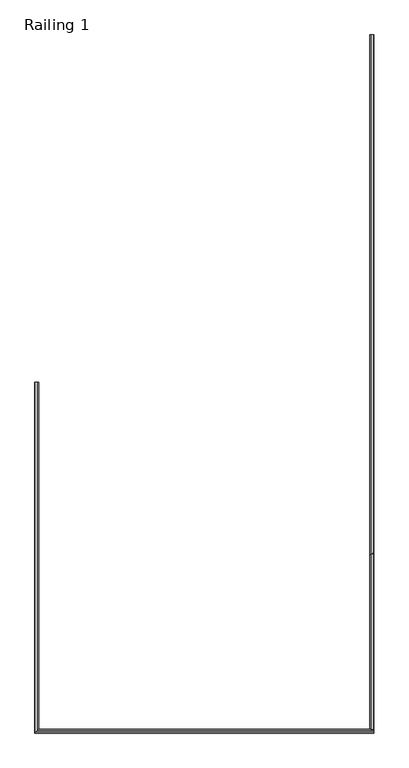
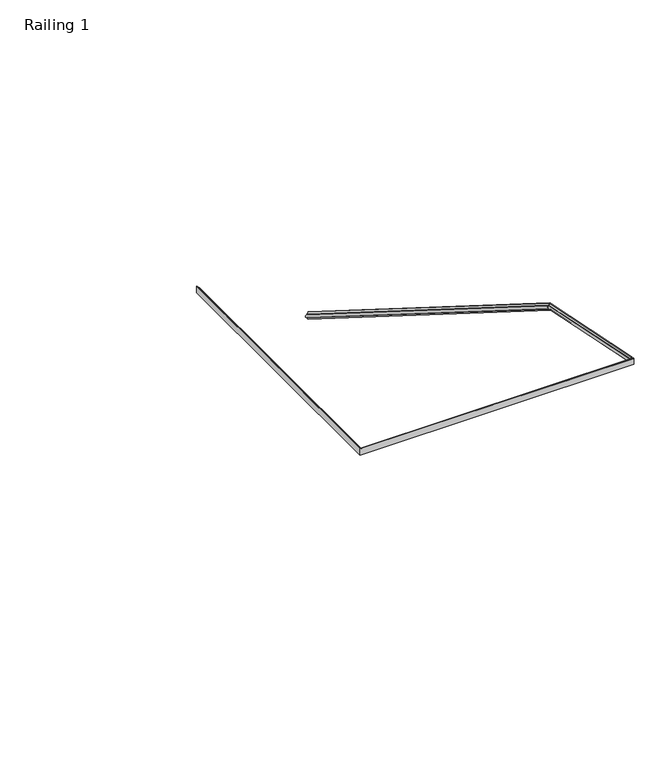
"""IFC4 building model written with IfcOpenShell, lengths in millimetres: railing geometry, Railing 1."""

from ifc_helpers import new_model, si_unit, frame, origin, place, context, project, spatial, polyline, circle_curve, ellipse_curve, source, transform, mapped, element, save
from ifc_brep_helpers import plane_surface, cylinder_surface, revolved_surface, advanced_brep


def railing_1_693878b2(model_context):
    return source(origin(), model_context, "Body", "AdvancedBrep", [
        advanced_brep(
        [(1343.5983766, 5734.7315304, 1096.7253185), (1343.5983766, 5734.7315304, 1046.5266825), (1340.5983766, 5734.7315304, 1046.5266825), (1332.0983766, 5734.7315304, 1058.3381263), (1332.0983766, 5734.7315304, 1061.5862733), (1332.0983766, 5734.7315304, 1081.6657277), (1332.0983766, 5734.7315304, 1084.9138748), (1340.5983766, 5734.7315304, 1096.7253185), (1343.5983766, 3047.5668637, 2785.8002519), (1343.5983766, 3031.4785253, 2745.7142857), (1343.5983766, 2135.1315304, 2972.8211587), (1340.5983766, 2135.1315304, 2972.8211587), (1332.0983766, 2135.1315304, 2962.6132585), (1332.0983766, 2135.1315304, 2959.8060859), (1332.0983766, 2135.1315304, 2942.4526556), (1332.0983766, 2135.1315304, 2939.645483), (1340.5983766, 2135.1315304, 2929.4375828), (1343.5983766, 2135.1315304, 2929.4375828), (1340.5983766, 3031.4785253, 2745.7142857), (1332.0983766, 3035.2640167, 2755.1462778), (1332.0983766, 3036.3050268, 2757.7400756), (1332.0983766, 3042.7403622, 2773.774462), (1332.0983766, 3043.7813723, 2776.3682598), (1340.5983766, 3047.5668637, 2785.8002519)],
        [
            (0, 1),
            (1, 2),
            (2, 3, ellipse_curve(frame((1326.5995861, 5734.7315304, 1042.6448847), z_axis=(0.0, -1.0, 0.0), x_axis=(0.0, 0.0, 1.0)), 16.9841429, 14.3793961)),
            (3, 4),
            (4, 5, ellipse_curve(frame((1332.0983766, 5734.7315304, 1071.6260005), z_axis=(0.0, 1.0, 0.0), x_axis=(0.0, 0.0, -1.0)), 10.0397272, 8.5)),
            (5, 6),
            (6, 7, ellipse_curve(frame((1326.5995861, 5734.7315304, 1100.6071164), z_axis=(0.0, -1.0, 0.0), x_axis=(0.0, 0.0, 1.0)), 16.9841429, 14.3793961)),
            (7, 0),
            (0, 8),
            (8, 9),
            (9, 1),
            (10, 11),
            (11, 12, ellipse_curve(frame((1326.5995861, 2135.1315304, 2976.1759564), z_axis=(0.0, 1.0, 0.0), x_axis=(0.0, 0.0, 1.0)), 14.6783441, 14.3793961)),
            (12, 13),
            (13, 14, ellipse_curve(frame((1332.0983766, 2135.1315304, 2951.1293708), z_axis=(0.0, -1.0, 0.0), x_axis=(0.0, 0.0, -1.0)), 8.6767152, 8.5)),
            (14, 15),
            (15, 16, ellipse_curve(frame((1326.5995861, 2135.1315304, 2926.0827851), z_axis=(0.0, 1.0, 0.0), x_axis=(0.0, 0.0, 1.0)), 14.6783441, 14.3793961)),
            (16, 17),
            (17, 10),
            (8, 10),
            (17, 9),
            (9, 18),
            (18, 2),
            (18, 19, ellipse_curve(frame((1326.5995861, 3030.2344342, 2742.614488), z_axis=(0.0, -0.928045355294953, 0.37246720461735194), x_axis=(0.0, 0.37246720461735205, 0.928045355294953)), 14.6141941, 14.3793961)),
            (19, 3),
            (19, 20),
            (20, 4),
            (20, 21, ellipse_curve(frame((1332.0983766, 3039.5226945, 2765.7572688), z_axis=(0.0, 0.928045355294953, -0.37246720461735194), x_axis=(0.0, -0.37246720461735205, -0.928045355294953)), 8.6387946, 8.5)),
            (21, 5),
            (21, 22),
            (22, 6),
            (22, 23, ellipse_curve(frame((1326.5995861, 3048.8109548, 2788.9000496), z_axis=(0.0, -0.928045355294953, 0.37246720461735194), x_axis=(0.0, 0.37246720461735205, 0.928045355294953)), 14.6141941, 14.3793961)),
            (23, 7),
            (23, 8),
            (16, 18),
            (15, 19),
            (14, 20),
            (13, 21),
            (12, 22),
            (11, 23),
        ],
        [
            plane_surface(frame((1318.5983766, 5734.7315304, 1046.5266825), z_axis=(0.0, 1.0, 0.0), x_axis=(0.0, 0.0, -1.0))),
            plane_surface(frame((1343.5983766, 5734.7315304, 1096.7253185), z_axis=(1.0, 0.0, 0.0), x_axis=(0.0, -0.8466365492110048, 0.5321715452183458))),
            plane_surface(frame((1318.5983766, 2135.1315304, 2929.4375828), z_axis=(0.0, -1.0, 0.0), x_axis=(0.0, 0.0, -1.0))),
            plane_surface(frame((1343.5983766, 3047.5668637, 2785.8002519), z_axis=(1.0000000000000002, 0.0, 0.0), x_axis=(0.0, -0.979633400516554, 0.20079442370836156))),
            plane_surface(frame((1343.5983766, 5734.7315304, 1046.5266825), z_axis=(0.0, -0.5321715452183456, -0.846636549211005), x_axis=(0.0, -0.846636549211005, 0.5321715452183456))),
            revolved_surface(polyline([(1340.9789821999998, 3028.025436812152, 2744.0030007095033), (1340.9789821999998, 5742.383835879111, 1037.83486415313)]), (1326.5995861, 5732.9825636, 1043.7442353), (0.0, -0.8466365492110048, 0.5321715452183456)),
            plane_surface(frame((1332.0983766, 5734.7315304, 1058.3381263), z_axis=(-1.0, 0.0, 0.0), x_axis=(0.0, -0.8466365492110048, 0.5321715452183458))),
            cylinder_surface(frame((1332.0983766, 5746.0401757, 1064.5177092), z_axis=(0.0, 0.8466365492110048, -0.5321715452183456), x_axis=(1.0, 0.0, 0.0)), 8.5),
            plane_surface(frame((1332.0983766, 5734.7315304, 1081.6657277), z_axis=(-1.0, 0.0, 0.0), x_axis=(0.0, -0.846636549211005, 0.5321715452183456))),
            revolved_surface(polyline([(1340.9789821999998, 3046.6019573915555, 2790.2885622767353), (1340.9789821999998, 5742.383835854652, 1095.7970958142187)]), (1326.5995861, 5759.0977879, 1085.2911831), (0.0, -0.8466365492110048, 0.5321715452183456)),
            plane_surface(frame((1340.5983766, 5734.7315304, 1096.7253185), z_axis=(0.0, 0.5321715452183458, 0.8466365492110048), x_axis=(0.0, -0.8466365492110048, 0.5321715452183458))),
            plane_surface(frame((1343.5983766, 3031.4785253, 2745.7142857), z_axis=(0.0, -0.20079442370836165, -0.979633400516554), x_axis=(0.0, -0.979633400516554, 0.20079442370836165))),
            revolved_surface(polyline([(1340.9789821999998, 2132.2442278376193, 2926.6745924562642), (1340.9789821999998, 3032.790439680237, 2742.090586302187)]), (1326.5995861, 3030.81862, 2742.4947481), (0.0, -0.9796334005165539, 0.20079442370836176)),
            plane_surface(frame((1332.0983766, 3035.2640167, 2755.1462778), z_axis=(-1.0, 0.0, 0.0), x_axis=(0.0, -0.9796334005165539, 0.20079442370836167))),
            cylinder_surface(frame((1332.0983766, 3035.7454068, 2766.5314955), z_axis=(0.0, 0.9796334005165539, -0.20079442370836176), x_axis=(1.0, 0.0, 0.0)), 8.5),
            plane_surface(frame((1332.0983766, 3042.7403622, 2773.774462), z_axis=(-1.0000000000000002, 0.0, 0.0), x_axis=(0.0, -0.979633400516554, 0.20079442370836154))),
            revolved_surface(polyline([(1340.9789821999998, 2132.244227848615, 2976.767763809911), (1340.9789821999998, 3051.3669602691193, 2788.3761478479446)]), (1326.5995861, 3040.6721935, 2790.5682429), (0.0, -0.9796334005165539, 0.20079442370836176)),
            plane_surface(frame((1340.5983766, 3047.5668637, 2785.8002519), z_axis=(0.0, 0.20079442370836156, 0.979633400516554), x_axis=(0.0, -0.979633400516554, 0.20079442370836156))),
        ],
        [
            (0, [[1, 2, 3, 4, 5, 6, 7, 8]]),
            (1, [[-1, 9, 10, 11]]),
            (2, [[12, 13, 14, 15, 16, 17, 18, 19]]),
            (3, [[-10, 20, -19, 21]]),
            (4, [[-2, -11, 22, 23]]),
            (5, [[-3, -23, 24, 25]]),
            (6, [[-4, -25, 26, 27]]),
            (7, [[-5, -27, 28, 29]]),
            (8, [[-6, -29, 30, 31]]),
            (9, [[-7, -31, 32, 33]]),
            (10, [[-8, -33, 34, -9]]),
            (11, [[-22, -21, -18, 35]]),
            (12, [[-24, -35, -17, 36]]),
            (13, [[-26, -36, -16, 37]]),
            (14, [[-28, -37, -15, 38]]),
            (15, [[-30, -38, -14, 39]]),
            (16, [[-32, -39, -13, 40]]),
            (17, [[-34, -40, -12, -20]]),
        ],
    ),
        advanced_brep(
        [(1343.5983766, 2115.1315304, 2976.1189493), (1343.5983766, 2115.1315304, 2933.6189493), (1343.5983766, 2118.1315304, 2933.6189493), (1343.5983766, 2126.6315304, 2943.6189493), (1343.5983766, 2126.6315304, 2946.3689493), (1343.5983766, 2126.6315304, 2963.3689493), (1343.5983766, 2126.6315304, 2966.1189493), (1343.5983766, 2118.1315304, 2976.1189493), (-415.6016234, 2115.1315304, 2976.1189493), (-415.6016234, 2115.1315304, 2933.6189493), (-415.6016234, 3934.7315304, 2976.1189493), (-412.6016234, 3934.7315304, 2976.1189493), (-404.1016234, 3934.7315304, 2966.1189493), (-404.1016234, 3934.7315304, 2963.3689493), (-404.1016234, 3934.7315304, 2946.3689493), (-404.1016234, 3934.7315304, 2943.6189493), (-412.6016234, 3934.7315304, 2933.6189493), (-415.6016234, 3934.7315304, 2933.6189493), (-412.6016234, 2118.1315304, 2933.6189493), (-404.1016234, 2126.6315304, 2943.6189493), (-404.1016234, 2126.6315304, 2946.3689493), (-404.1016234, 2126.6315304, 2963.3689493), (-404.1016234, 2126.6315304, 2966.1189493), (-412.6016234, 2118.1315304, 2976.1189493)],
        [
            (0, 1),
            (1, 2),
            (2, 3, circle_curve(frame((1343.5983766, 2132.1303209, 2930.3324774), z_axis=(-1.0, 0.0, 0.0), x_axis=(0.0, -1.0, 0.0)), 14.3793961)),
            (3, 4),
            (4, 5, circle_curve(frame((1343.5983766, 2126.6315304, 2954.8689493), z_axis=(1.0, 0.0, 0.0), x_axis=(0.0, -1.0, 0.0)), 8.5)),
            (5, 6),
            (6, 7, circle_curve(frame((1343.5983766, 2132.1303209, 2979.4054212), z_axis=(-1.0, 0.0, 0.0), x_axis=(0.0, -1.0, 0.0)), 14.3793961)),
            (7, 0),
            (0, 8),
            (8, 9),
            (9, 1),
            (10, 11),
            (11, 12, circle_curve(frame((-398.6028329, 3934.7315304, 2979.4054212), z_axis=(0.0, -1.0, 0.0), x_axis=(-1.0, 0.0, 0.0)), 14.3793961)),
            (12, 13),
            (13, 14, circle_curve(frame((-404.1016234, 3934.7315304, 2954.8689493), z_axis=(0.0, 1.0, 0.0), x_axis=(-1.0, 0.0, 0.0)), 8.5)),
            (14, 15),
            (15, 16, circle_curve(frame((-398.6028329, 3934.7315304, 2930.3324774), z_axis=(0.0, -1.0, 0.0), x_axis=(-1.0, 0.0, 0.0)), 14.3793961)),
            (16, 17),
            (17, 10),
            (8, 10),
            (17, 9),
            (9, 18),
            (18, 2),
            (18, 19, ellipse_curve(frame((-398.6028329, 2132.1303209, 2930.3324774), z_axis=(-0.7071067811865475, 0.7071067811865476, 0.0), x_axis=(-0.7071067811865476, -0.7071067811865475, 0.0)), 20.335537, 14.3793961)),
            (19, 3),
            (19, 20),
            (20, 4),
            (20, 21, ellipse_curve(frame((-404.1016234, 2126.6315304, 2954.8689493), z_axis=(0.7071067811865475, -0.7071067811865476, 0.0), x_axis=(0.7071067811865476, 0.7071067811865475, 0.0)), 12.0208153, 8.5)),
            (21, 5),
            (21, 22),
            (22, 6),
            (22, 23, ellipse_curve(frame((-398.6028329, 2132.1303209, 2979.4054212), z_axis=(-0.7071067811865475, 0.7071067811865476, 0.0), x_axis=(-0.7071067811865476, -0.7071067811865475, 0.0)), 20.335537, 14.3793961)),
            (23, 7),
            (23, 8),
            (16, 18),
            (15, 19),
            (14, 20),
            (13, 21),
            (12, 22),
            (11, 23),
        ],
        [
            plane_surface(frame((1343.5983766, 2140.1315304, 2933.6189493), z_axis=(1.0, 0.0, 0.0), x_axis=(0.0, -1.0, 0.0))),
            plane_surface(frame((1343.5983766, 2115.1315304, 2976.1189493), z_axis=(0.0, -1.0, 0.0), x_axis=(-1.0, 0.0, 0.0))),
            plane_surface(frame((-390.6016234, 3934.7315304, 2933.6189493), z_axis=(0.0, 1.0, 0.0), x_axis=(0.0, 0.0, 1.0))),
            plane_surface(frame((-415.6016234, 2115.1315304, 2976.1189493), z_axis=(-1.0, 0.0, 0.0), x_axis=(0.0, 1.0, 0.0))),
            plane_surface(frame((1343.5983766, 2115.1315304, 2933.6189493), z_axis=(0.0, 0.0, -1.0), x_axis=(-1.0, 0.0, 0.0))),
            revolved_surface(polyline([(-412.98222901176996, 2117.7509247999997, 2930.3324774), (1343.5983766, 2117.7509247999997, 2930.3324774)]), (1343.5983766, 2132.1303209, 2930.3324774), (-1.0, 0.0, 0.0)),
            plane_surface(frame((1343.5983766, 2126.6315304, 2943.6189493), z_axis=(0.0, 1.0, 0.0), x_axis=(-1.0, 0.0, 0.0))),
            cylinder_surface(frame((1343.5983766, 2126.6315304, 2954.8689493), z_axis=(1.0, 0.0, 0.0), x_axis=(0.0, -1.0, 0.0)), 8.5),
            plane_surface(frame((1343.5983766, 2126.6315304, 2963.3689493), z_axis=(0.0, 1.0, 0.0), x_axis=(-1.0, 0.0, 0.0))),
            revolved_surface(polyline([(-412.98222901176996, 2117.7509247999997, 2979.4054212), (1343.5983766, 2117.7509247999997, 2979.4054212)]), (1343.5983766, 2132.1303209, 2979.4054212), (-1.0, 0.0, 0.0)),
            plane_surface(frame((1343.5983766, 2118.1315304, 2976.1189493), z_axis=(0.0, 0.0, 1.0), x_axis=(-1.0, 0.0, 0.0))),
            plane_surface(frame((-415.6016234, 2115.1315304, 2933.6189493), z_axis=(0.0, 0.0, -1.0), x_axis=(0.0, 1.0, 0.0))),
            revolved_surface(polyline([(-412.982229, 3934.7315304, 2930.3324774), (-412.982229, 2117.75092478823, 2930.3324774)]), (-398.6028329, 2140.1315304, 2930.3324774), (0.0, 1.0, 0.0)),
            plane_surface(frame((-404.1016234, 2126.6315304, 2943.6189493), z_axis=(1.0, 0.0, 0.0), x_axis=(0.0, 1.0, 0.0))),
            cylinder_surface(frame((-404.1016234, 2140.1315304, 2954.8689493), z_axis=(0.0, -1.0, 0.0), x_axis=(-1.0, 0.0, 0.0)), 8.5),
            plane_surface(frame((-404.1016234, 2126.6315304, 2963.3689493), z_axis=(1.0, 0.0, 0.0), x_axis=(0.0, 1.0, 0.0))),
            revolved_surface(polyline([(-412.982229, 3934.7315304, 2979.4054212), (-412.982229, 2117.75092478823, 2979.4054212)]), (-398.6028329, 2140.1315304, 2979.4054212), (0.0, 1.0, 0.0)),
            plane_surface(frame((-412.6016234, 2118.1315304, 2976.1189493), z_axis=(0.0, 0.0, 1.0), x_axis=(0.0, 1.0, 0.0))),
        ],
        [
            (0, [[1, 2, 3, 4, 5, 6, 7, 8]]),
            (1, [[-1, 9, 10, 11]]),
            (2, [[12, 13, 14, 15, 16, 17, 18, 19]]),
            (3, [[-10, 20, -19, 21]]),
            (4, [[-2, -11, 22, 23]]),
            (5, [[-3, -23, 24, 25]]),
            (6, [[-4, -25, 26, 27]]),
            (7, [[-5, -27, 28, 29]]),
            (8, [[-6, -29, 30, 31]]),
            (9, [[-7, -31, 32, 33]]),
            (10, [[-8, -33, 34, -9]]),
            (11, [[-22, -21, -18, 35]]),
            (12, [[-24, -35, -17, 36]]),
            (13, [[-26, -36, -16, 37]]),
            (14, [[-28, -37, -15, 38]]),
            (15, [[-30, -38, -14, 39]]),
            (16, [[-32, -39, -13, 40]]),
            (17, [[-34, -40, -12, -20]]),
        ],
    ),
    ])


if __name__ == "__main__":
    model = new_model("IFC4")
    model_context = context("Model", 3, world=origin())
    ifc_project = project(units=[si_unit("LENGTHUNIT", "METRE", prefix="MILLI")], contexts=[model_context])
    site = spatial("IfcSite", under=ifc_project)
    building = spatial("IfcBuilding", under=site)
    placement = place(None, origin())
    railing_1_shape = railing_1_693878b2(model_context)
    element("IfcRailing", 1, ObjectType="Railing 1", at=placement, inside=building, context=model_context, shape_type="MappedRepresentation", body=[
        mapped(railing_1_shape, transform((0.0, 0.0, 0.0), x_axis=(1.0, 0.0, 0.0), y_axis=(0.0, 1.0, 0.0), z_axis=(0.0, 0.0, 1.0))),
    ])
    save(model, "model.ifc")
